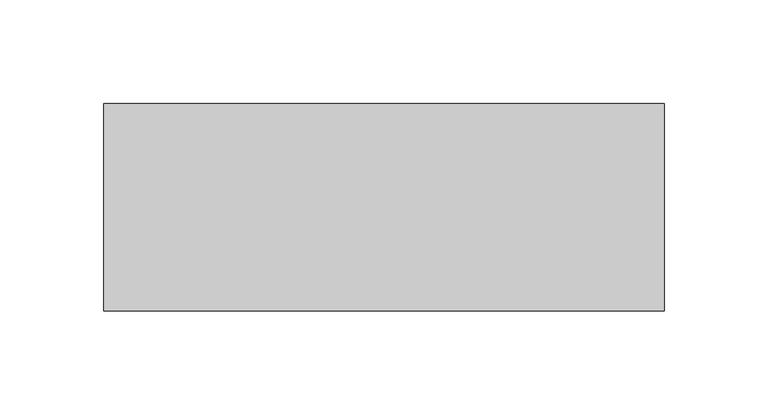
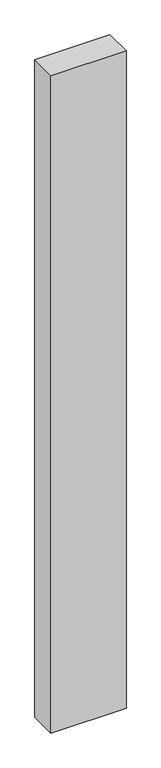
"""IFC4 building model written with IfcOpenShell, lengths in millimetres: proxy geometry."""

from ifc_helpers import new_model, si_unit, frame, origin, place, context, project, spatial, polyline, outline, extrude, source, transform, mapped, element, save


def generic_models_8bf35062(model_context):
    return source(origin(), model_context, "Body", "SweptSolid", [
        extrude(outline(polyline([(270.0, 100.0), (270.0, 0.0), (0.0, 0.0), (0.0, 100.0), (270.0, 100.0)])), frame((0.0, 0.0, -2500.0), z_axis=(0.0, 0.0, 1.0), x_axis=(1.0, 0.0, 0.0)), (0.0, 0.0, 1.0), 2500.0),
    ])


if __name__ == "__main__":
    model = new_model("IFC4")
    model_context = context("Model", 3, world=origin())
    ifc_project = project(units=[si_unit("LENGTHUNIT", "METRE", prefix="MILLI")], contexts=[model_context])
    site = spatial("IfcSite", under=ifc_project)
    building = spatial("IfcBuilding", under=site)
    placement = place(None, origin())
    generic_models_shape = generic_models_8bf35062(model_context)
    element("IfcBuildingElementProxy", 1, Name="Generic Models", at=placement, inside=building, context=model_context, shape_type="MappedRepresentation", body=[
        mapped(generic_models_shape, transform((0.0, 0.0, 0.0), x_axis=(1.0, 0.0, 0.0), y_axis=(0.0, 1.0, 0.0), z_axis=(0.0, 0.0, 1.0))),
    ])
    save(model, "model.ifc")
